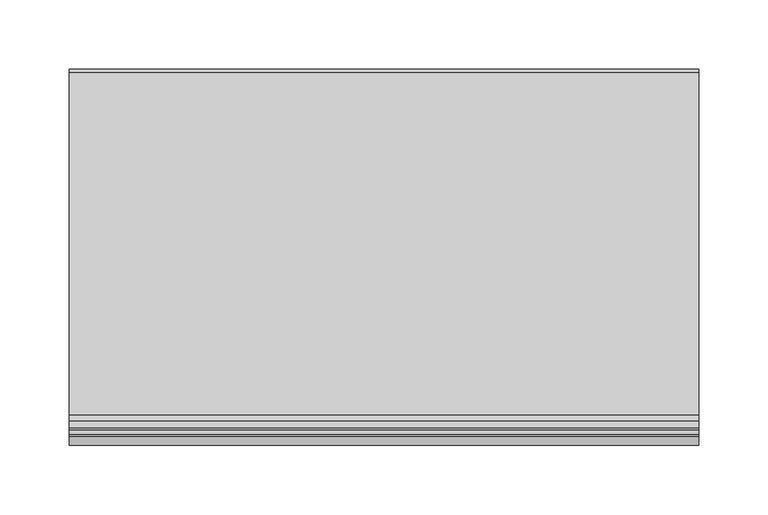
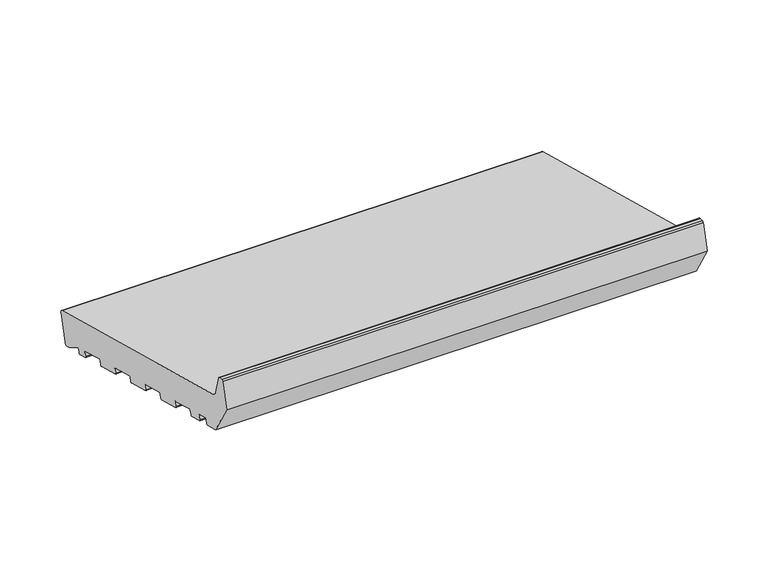
"""IFC4 building model written with IfcOpenShell, lengths in millimetres: proxy geometry."""

from ifc_helpers import new_model, si_unit, point, frame, frame_2d, origin, place, context, project, spatial, polyline, circle_curve, trimmed, segment, composite_curve, outline, extrude, source, transform, mapped, element, save


def generic_models_63a61eb5(model_context):
    return source(origin(), model_context, "Body", "SweptSolid", [
        extrude(outline(composite_curve([segment(polyline([(24.3497968, 5.5107678), (21.6330192, 6.2387261), (7.4647895, 14.8261724)]), True, "CONTINUOUS"), segment(trimmed(circle_curve(frame_2d((6.9464595, 13.9709917)), 1.0), [point((7.4647895, 14.8261724))], [point((5.9805337, 14.2298107))], True, "CARTESIAN"), True, "CONTINUOUS"), segment(polyline([(5.9805337, 14.2298107), (5.0312803, 10.6871487)]), True, "CONTINUOUS"), segment(trimmed(circle_curve(frame_2d((4.0653544, 10.9459677)), 1.0), [point((5.0312803, 10.6871487))], [point((3.8065354, 9.9800419))], False, "CARTESIAN"), True, "CONTINUOUS"), segment(polyline([(3.8065354, 9.9800419), (-4.886797, 12.3094133)]), True, "CONTINUOUS"), segment(trimmed(circle_curve(frame_2d((-4.627978, 13.2753391)), 1.0), [point((-4.886797, 12.3094133))], [point((-5.5939038, 13.5341582))], False, "CARTESIAN"), True, "CONTINUOUS"), segment(polyline([(-5.5939038, 13.5341582), (-4.5586276, 17.3978615)]), True, "CONTINUOUS"), segment(trimmed(circle_curve(frame_2d((-5.5245535, 17.6566805)), 1.0), [point((-4.5586276, 17.3978615))], [point((-5.2657344, 18.6226064))], True, "CARTESIAN"), True, "CONTINUOUS"), segment(polyline([(-5.2657344, 18.6226064), (-28.4479542, 24.8342634)]), True, "CONTINUOUS"), segment(trimmed(circle_curve(frame_2d((-28.7067733, 23.8683376)), 1.0), [point((-28.4479542, 24.8342634))], [point((-29.6726991, 24.1271567))], True, "CARTESIAN"), True, "CONTINUOUS"), segment(polyline([(-29.6726991, 24.1271567), (-30.7079753, 20.2634534)]), True, "CONTINUOUS"), segment(trimmed(circle_curve(frame_2d((-31.6739011, 20.5222724)), 1.0), [point((-30.7079753, 20.2634534))], [point((-31.9327202, 19.5563466))], False, "CARTESIAN"), True, "CONTINUOUS"), segment(polyline([(-31.9327202, 19.5563466), (-54.1490142, 25.5091846)]), True, "CONTINUOUS"), segment(trimmed(circle_curve(frame_2d((-53.8901951, 26.4751104)), 1.0), [point((-54.1490142, 25.5091846))], [point((-54.856121, 26.7339295))], False, "CARTESIAN"), True, "CONTINUOUS"), segment(polyline([(-54.856121, 26.7339295), (-53.8208448, 30.5976328)]), True, "CONTINUOUS"), segment(trimmed(circle_curve(frame_2d((-54.7867706, 30.8564518)), 1.0), [point((-53.8208448, 30.5976328))], [point((-54.5279516, 31.8223777))], True, "CARTESIAN"), True, "CONTINUOUS"), segment(polyline([(-54.5279516, 31.8223777), (-77.7101714, 38.0340347)]), True, "CONTINUOUS"), segment(trimmed(circle_curve(frame_2d((-77.9689904, 37.0681089)), 1.0), [point((-77.7101714, 38.0340347))], [point((-78.9349163, 37.326928))], True, "CARTESIAN"), True, "CONTINUOUS"), segment(polyline([(-78.9349163, 37.326928), (-79.9701924, 33.4632247)]), True, "CONTINUOUS"), segment(trimmed(circle_curve(frame_2d((-80.9361183, 33.7220437)), 1.0), [point((-79.9701924, 33.4632247))], [point((-81.1949373, 32.7561179))], False, "CARTESIAN"), True, "CONTINUOUS"), segment(polyline([(-81.1949373, 32.7561179), (-103.4112313, 38.7089559)]), True, "CONTINUOUS"), segment(trimmed(circle_curve(frame_2d((-103.1524123, 39.6748817)), 1.0), [point((-103.4112313, 38.7089559))], [point((-104.1183381, 39.9337008))], False, "CARTESIAN"), True, "CONTINUOUS"), segment(polyline([(-104.1183381, 39.9337008), (-103.0830619, 43.7974041)]), True, "CONTINUOUS"), segment(trimmed(circle_curve(frame_2d((-104.0489877, 44.0562231)), 1.0), [point((-103.0830619, 43.7974041))], [point((-103.7901687, 45.022149))], True, "CARTESIAN"), True, "CONTINUOUS"), segment(polyline([(-103.7901687, 45.022149), (-126.9723885, 51.233806)]), True, "CONTINUOUS"), segment(trimmed(circle_curve(frame_2d((-127.2312076, 50.2678802)), 1.0), [point((-126.9723885, 51.233806))], [point((-128.1971334, 50.5266993))], True, "CARTESIAN"), True, "CONTINUOUS"), segment(polyline([(-128.1971334, 50.5266993), (-129.2324096, 46.662996)]), True, "CONTINUOUS"), segment(trimmed(circle_curve(frame_2d((-130.1983354, 46.921815)), 1.0), [point((-129.2324096, 46.662996))], [point((-130.4571545, 45.9558892))], False, "CARTESIAN"), True, "CONTINUOUS"), segment(polyline([(-130.4571545, 45.9558892), (-152.6734485, 51.9087272)]), True, "CONTINUOUS"), segment(trimmed(circle_curve(frame_2d((-152.4146294, 52.874653)), 1.0), [point((-152.6734485, 51.9087272))], [point((-153.3805552, 53.1334721))], False, "CARTESIAN"), True, "CONTINUOUS"), segment(polyline([(-153.3805552, 53.1334721), (-152.3452791, 56.9971754)]), True, "CONTINUOUS"), segment(trimmed(circle_curve(frame_2d((-153.3112049, 57.2559944)), 1.0), [point((-152.3452791, 56.9971754))], [point((-153.0523858, 58.2219203))], True, "CARTESIAN"), True, "CONTINUOUS"), segment(polyline([(-153.0523858, 58.2219203), (-176.2346057, 64.4335773)]), True, "CONTINUOUS"), segment(trimmed(circle_curve(frame_2d((-176.4934247, 63.4676515)), 1.0), [point((-176.2346057, 64.4335773))], [point((-177.4593505, 63.7264706))], True, "CARTESIAN"), True, "CONTINUOUS"), segment(polyline([(-177.4593505, 63.7264706), (-178.4946267, 59.8627673)]), True, "CONTINUOUS"), segment(trimmed(circle_curve(frame_2d((-179.4605525, 60.1215863)), 1.0), [point((-178.4946267, 59.8627673))], [point((-179.7193716, 59.1556605))], False, "CARTESIAN"), True, "CONTINUOUS"), segment(polyline([(-179.7193716, 59.1556605), (-192.2764073, 62.5203081)]), True, "CONTINUOUS"), segment(trimmed(circle_curve(frame_2d((-192.0175883, 63.4862339)), 1.0), [point((-192.2764073, 62.5203081))], [point((-192.9835141, 63.7450529))], False, "CARTESIAN"), True, "CONTINUOUS"), segment(polyline([(-192.9835141, 63.7450529), (-191.9482379, 67.6087562)]), True, "CONTINUOUS"), segment(trimmed(circle_curve(frame_2d((-192.9141638, 67.8675753)), 1.0), [point((-191.9482379, 67.6087562))], [point((-192.6553447, 68.8335011))], True, "CARTESIAN"), True, "CONTINUOUS"), segment(polyline([(-192.6553447, 68.8335011), (-202.314603, 71.4216916)]), True, "CONTINUOUS"), segment(trimmed(circle_curve(frame_2d((-202.573422, 70.4557657)), 1.0), [point((-202.314603, 71.4216916))], [point((-203.5393479, 70.7145848))], True, "CARTESIAN"), True, "CONTINUOUS"), segment(polyline([(-203.5393479, 70.7145848), (-204.574624, 66.8508815)]), True, "CONTINUOUS"), segment(trimmed(circle_curve(frame_2d((-205.5405499, 67.1097005)), 1.0), [point((-204.574624, 66.8508815))], [point((-205.7993689, 66.1437747))], False, "CARTESIAN"), True, "CONTINUOUS"), segment(polyline([(-205.7993689, 66.1437747), (-219.3223305, 69.7672413), (-237.0, 100.3858631), (-230.4291321, 124.908676)]), True, "CONTINUOUS"), segment(trimmed(circle_curve(frame_2d((-228.9802434, 124.5204474)), 1.5), [point((-230.4291321, 124.908676))], [point((-228.9802434, 126.0204474))], False, "CARTESIAN"), True, "CONTINUOUS"), segment(polyline([(-228.9802434, 126.0204474), (-225.6368689, 126.0204474)]), True, "CONTINUOUS"), segment(trimmed(circle_curve(frame_2d((-225.6368689, 124.5204474)), 1.5), [point((-225.6368689, 126.0204474))], [point((-224.1879801, 124.908676))], False, "CARTESIAN"), True, "CONTINUOUS"), segment(polyline([(-224.1879801, 124.908676), (-219.4052841, 107.0594112)]), True, "CONTINUOUS"), segment(trimmed(circle_curve(frame_2d((-213.6097291, 108.6123254)), 6.0), [point((-219.4052841, 107.0594112))], [point((-215.1626434, 102.8167705))], True, "CARTESIAN"), True, "CONTINUOUS"), segment(polyline([(-215.1626434, 102.8167705), (32.6320062, 36.4203942)]), True, "CONTINUOUS"), segment(trimmed(circle_curve(frame_2d((31.8555491, 33.5226168)), 3.0), [point((32.6320062, 36.4203942))], [point((34.7533266, 32.7461596))], False, "CARTESIAN"), True, "CONTINUOUS"), segment(polyline([(34.7533266, 32.7461596), (28.0240314, 7.6320881)]), True, "CONTINUOUS"), segment(trimmed(circle_curve(frame_2d((25.1262539, 8.4085453)), 3.0), [point((28.0240314, 7.6320881))], [point((24.3497968, 5.5107678))], False, "CARTESIAN"), True, "CONTINUOUS")], self_intersect=False)), frame((0.0, 0.0, 0.0), z_axis=(1.0, 0.0, 0.0), x_axis=(0.0, 1.0, 0.0)), (0.0, 0.0, 1.0), 455.0),
    ])


if __name__ == "__main__":
    model = new_model("IFC4")
    model_context = context("Model", 3, world=origin())
    ifc_project = project(units=[si_unit("LENGTHUNIT", "METRE", prefix="MILLI")], contexts=[model_context])
    site = spatial("IfcSite", under=ifc_project)
    building = spatial("IfcBuilding", under=site)
    placement = place(None, origin())
    generic_models_shape = generic_models_63a61eb5(model_context)
    element("IfcBuildingElementProxy", 1, Name="Generic Models", at=placement, inside=building, context=model_context, shape_type="MappedRepresentation", body=[
        mapped(generic_models_shape, transform((0.0, 0.0, 0.0), x_axis=(1.0, 0.0, 0.0), y_axis=(0.0, 1.0, 0.0), z_axis=(0.0, 0.0, 1.0))),
    ])
    save(model, "model.ifc")
